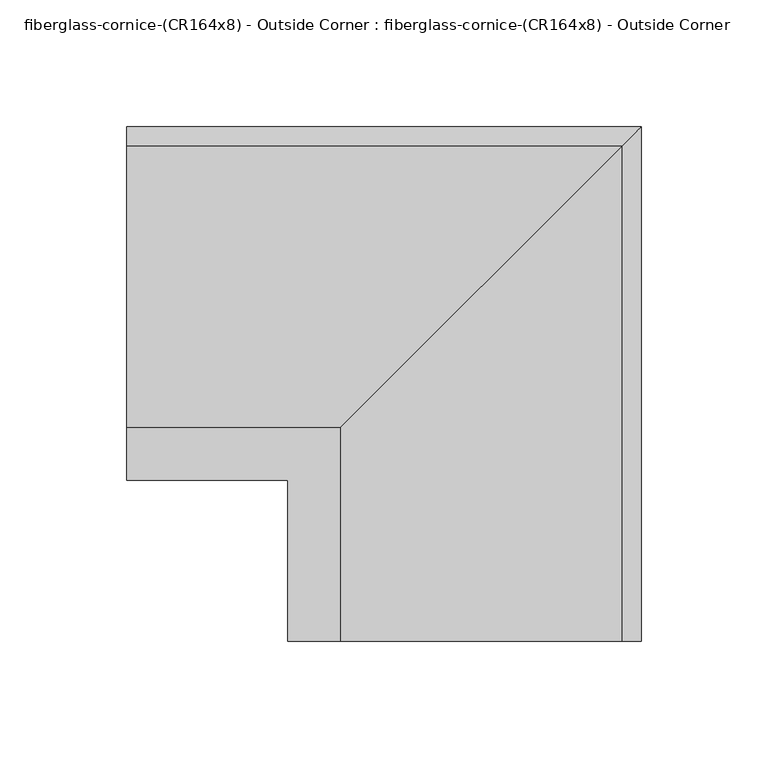
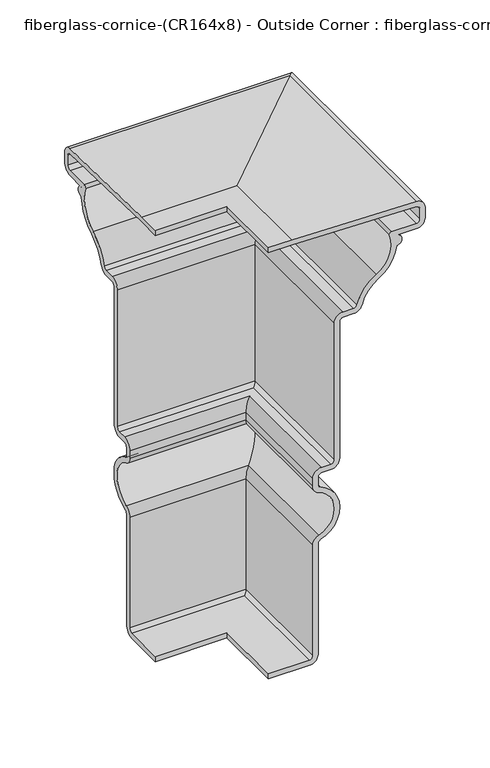
"""IFC4 building model written with IfcOpenShell, lengths in millimetres: furniture geometry, fiberglass-cornice-(CR164x8) - Outside Corner : fiberglass-cornice-(CR164x8) - Outside Corner."""

from ifc_helpers import new_model, si_unit, frame, origin, place, context, project, spatial, polyline, circle_curve, ellipse_curve, source, transform, mapped, element, save
from ifc_brep_helpers import plane_surface, cylinder_surface, revolved_surface, advanced_brep


def fiberglass_cornice_cr164x8_outside_corner_fiberglass_cornice_aaa570d7(model_context):
    return source(origin(), model_context, "Body", "AdvancedBrep", [
        advanced_brep(
        [(-196.9488213, 122.4404639, 330.1999904), (-196.9488213, 233.5654639, 327.3575667), (-196.9488213, 241.3, 319.422662), (-196.9488213, 241.3, 309.7707122), (-196.9488213, 233.3625, 301.8332122), (-196.9488213, 215.9, 301.8332122), (-196.9488213, 215.9, 292.3082122), (-196.9488213, 200.025, 266.9082122), (-196.9488213, 185.1323585, 247.415911), (-196.9488213, 177.4587796, 241.5082122), (-196.9488213, 168.275, 241.5082122), (-196.9488213, 165.1, 238.3332122), (-196.9488213, 165.1, 109.7457122), (-196.9488213, 157.1625, 101.8082122), (-196.9488213, 149.225, 101.8082122), (-196.9488213, 146.05, 98.6332122), (-196.9488213, 146.05, 91.4209842), (-196.9488213, 148.1303888, 88.44064), (-196.9488213, 148.1303888, 38.9757844), (-196.9488213, 146.05, 35.9954402), (-196.9488213, 146.05, -68.0542878), (-196.9488213, 138.1125, -75.9917878), (-196.9488213, 101.6, -75.9917878), (-196.9488213, 101.6, -71.2292878), (-196.9488213, 138.1125, -71.2292878), (-196.9488213, 141.2875, -68.0542878), (-196.9488213, 141.2875, 35.9954402), (-196.9488213, 146.488472, 43.4463007), (-196.9488213, 146.488472, 83.9701238), (-196.9488213, 141.2875, 91.4209842), (-196.9488213, 141.2875, 98.6332122), (-196.9488213, 149.225, 106.5707122), (-196.9488213, 157.1625, 106.5707122), (-196.9488213, 160.3375, 109.7457122), (-196.9488213, 160.3375, 238.3332122), (-196.9488213, 168.275, 246.2707122), (-196.9488213, 177.4587796, 246.2707122), (-196.9488213, 180.5282111, 248.6337917), (-196.9488213, 197.639804, 271.0303775), (-196.9488213, 209.3983608, 304.3559613), (-196.9488213, 211.6381117, 306.5957122), (-196.9488213, 233.3625, 306.5957122), (-196.9488213, 236.5375, 309.7707122), (-196.9488213, 236.5375, 319.422662), (-196.9488213, 233.4436856, 322.5966239), (-196.9488213, 122.3186856, 325.4390476), (-196.9488213, 101.6, 325.4390476), (-196.9488213, 101.6, 330.1999904), (-112.5091387, 38.0007813, 330.1999904), (-133.3496026, 38.0007813, 330.1999904), (-133.3496026, 38.0007813, 325.4390476), (-112.630917, 38.0007813, 325.4390476), (-1.505917, 38.0007813, 322.5966239), (1.5878974, 38.0007813, 319.422662), (1.5878974, 38.0007813, 309.7707122), (-1.5871026, 38.0007813, 306.5957122), (-23.3114909, 38.0007813, 306.5957122), (-25.5512418, 38.0007813, 304.3559613), (-37.3097986, 38.0007813, 271.0303775), (-54.4213915, 38.0007813, 248.6337917), (-57.490823, 38.0007813, 246.2707122), (-66.6746026, 38.0007813, 246.2707122), (-74.6121026, 38.0007813, 238.3332122), (-74.6121026, 38.0007813, 109.7457122), (-77.7871026, 38.0007813, 106.5707122), (-85.7246026, 38.0007813, 106.5707122), (-93.6621026, 38.0007813, 98.6332122), (-93.6621026, 38.0007813, 91.4209842), (-88.4611306, 38.0007813, 83.9701238), (-88.4611306, 38.0007813, 43.4463007), (-93.6621026, 38.0007813, 35.9954402), (-93.6621026, 38.0007813, -68.0542878), (-96.8371026, 38.0007813, -71.2292878), (-133.3496026, 38.0007813, -71.2292878), (-133.3496026, 38.0007813, -75.9917878), (-96.8371026, 38.0007813, -75.9917878), (-88.8996026, 38.0007813, -68.0542878), (-88.8996026, 38.0007813, 35.9954402), (-86.8192138, 38.0007813, 38.9757844), (-86.8192138, 38.0007813, 88.44064), (-88.8996026, 38.0007813, 91.4209842), (-88.8996026, 38.0007813, 98.6332122), (-85.7246026, 38.0007813, 101.8082122), (-77.7871026, 38.0007813, 101.8082122), (-69.8496026, 38.0007813, 109.7457122), (-69.8496026, 38.0007813, 238.3332122), (-66.6746026, 38.0007813, 241.5082122), (-57.490823, 38.0007813, 241.5082122), (-49.8172441, 38.0007813, 247.415911), (-34.9246026, 38.0007813, 266.9082122), (-19.0496026, 38.0007813, 292.3082122), (-19.0496026, 38.0007813, 301.8332122), (-1.5871026, 38.0007813, 301.8332122), (6.3503974, 38.0007813, 309.7707122), (6.3503974, 38.0007813, 319.422662), (-1.3841387, 38.0007813, 327.3575667), (-112.5091387, 122.4404639, 330.1999904), (-1.3841387, 233.5654639, 327.3575667), (6.3503974, 241.3, 319.422662), (6.3503974, 241.3, 309.7707122), (-1.5871026, 233.3625, 301.8332122), (-19.0496026, 215.9, 301.8332122), (-19.0496026, 215.9, 292.3082122), (-34.9246026, 200.025, 266.9082122), (-49.8172441, 185.1323585, 247.415911), (-57.490823, 177.4587796, 241.5082122), (-66.6746026, 168.275, 241.5082122), (-69.8496026, 165.1, 238.3332122), (-69.8496026, 165.1, 109.7457122), (-77.7871026, 157.1625, 101.8082122), (-85.7246026, 149.225, 101.8082122), (-88.8996026, 146.05, 98.6332122), (-88.8996026, 146.05, 91.4209842), (-86.8192138, 148.1303888, 88.44064), (-86.8192138, 148.1303888, 38.9757844), (-88.8996026, 146.05, 35.9954402), (-88.8996026, 146.05, -68.0542878), (-96.8371026, 138.1125, -75.9917878), (-133.3496026, 101.6, -75.9917878), (-133.3496026, 101.6, -71.2292878), (-96.8371026, 138.1125, -71.2292878), (-93.6621026, 141.2875, -68.0542878), (-93.6621026, 141.2875, 35.9954402), (-88.4611306, 146.488472, 43.4463007), (-88.4611306, 146.488472, 83.9701238), (-93.6621026, 141.2875, 91.4209842), (-93.6621026, 141.2875, 98.6332122), (-85.7246026, 149.225, 106.5707122), (-77.7871026, 157.1625, 106.5707122), (-74.6121026, 160.3375, 109.7457122), (-74.6121026, 160.3375, 238.3332122), (-66.6746026, 168.275, 246.2707122), (-57.490823, 177.4587796, 246.2707122), (-54.4213915, 180.5282111, 248.6337917), (-37.3097986, 197.639804, 271.0303775), (-25.5512418, 209.3983608, 304.3559613), (-23.3114909, 211.6381117, 306.5957122), (-1.5871026, 233.3625, 306.5957122), (1.5878974, 236.5375, 309.7707122), (1.5878974, 236.5375, 319.422662), (-1.505917, 233.4436856, 322.5966239), (-112.630917, 122.3186856, 325.4390476), (-133.3496026, 101.6, 325.4390476), (-133.3496026, 101.6, 330.1999904)],
        [
            (0, 1),
            (1, 2, circle_curve(frame((-196.9488213, 233.3625, 319.422662), z_axis=(-1.0, 0.0, 0.0), x_axis=(0.0, 1.0, 0.0)), 7.9375)),
            (2, 3),
            (3, 4, circle_curve(frame((-196.9488213, 233.3625, 309.7707122), z_axis=(-1.0, 0.0, 0.0), x_axis=(0.0, 1.0, 0.0)), 7.9375)),
            (4, 5),
            (5, 6, circle_curve(frame((-196.9488213, 215.9, 297.0707122), z_axis=(-1.0, 0.0, 0.0), x_axis=(0.0, 1.0, 0.0)), 4.7625)),
            (6, 7, circle_curve(frame((-196.9488213, 184.0165967, 294.5744018), z_axis=(-1.0, 0.0, 0.0), x_axis=(0.0, 1.0, 0.0)), 31.9638393)),
            (7, 8, circle_curve(frame((-196.9488213, 216.0334033, 239.2420227), z_axis=(1.0, 0.0, 0.0), x_axis=(0.0, 1.0, 0.0)), 31.9638393)),
            (8, 9, circle_curve(frame((-196.9488213, 177.4587796, 249.4457122), z_axis=(-1.0, 0.0, 0.0), x_axis=(0.0, 1.0, 0.0)), 7.9375)),
            (9, 10),
            (10, 11, circle_curve(frame((-196.9488213, 168.275, 238.3332122), z_axis=(1.0, 0.0, 0.0), x_axis=(0.0, 1.0, 0.0)), 3.175)),
            (11, 12),
            (12, 13, circle_curve(frame((-196.9488213, 157.1625, 109.7457122), z_axis=(-1.0, 0.0, 0.0), x_axis=(0.0, 1.0, 0.0)), 7.9375)),
            (13, 14),
            (14, 15, circle_curve(frame((-196.9488213, 149.225, 98.6332122), z_axis=(1.0, 0.0, 0.0), x_axis=(0.0, 1.0, 0.0)), 3.175)),
            (15, 16),
            (16, 17, circle_curve(frame((-196.9488213, 149.225, 91.4209842), z_axis=(1.0, 0.0, 0.0), x_axis=(0.0, 1.0, 0.0)), 3.175)),
            (17, 18, circle_curve(frame((-196.9488213, 139.0467426, 63.7082122), z_axis=(-1.0, 0.0, 0.0), x_axis=(0.0, 1.0, 0.0)), 26.347782)),
            (18, 19, circle_curve(frame((-196.9488213, 149.225, 35.9954402), z_axis=(1.0, 0.0, 0.0), x_axis=(0.0, 1.0, 0.0)), 3.175)),
            (19, 20),
            (20, 21, circle_curve(frame((-196.9488213, 138.1125, -68.0542878), z_axis=(-1.0, 0.0, 0.0), x_axis=(0.0, 1.0, 0.0)), 7.9375)),
            (21, 22),
            (22, 23),
            (23, 24),
            (24, 25, circle_curve(frame((-196.9488213, 138.1125, -68.0542878), z_axis=(1.0, 0.0, 0.0), x_axis=(0.0, 1.0, 0.0)), 3.175)),
            (25, 26),
            (26, 27, circle_curve(frame((-196.9488213, 149.225, 35.9954402), z_axis=(-1.0, 0.0, 0.0), x_axis=(0.0, 1.0, 0.0)), 7.9375)),
            (27, 28, circle_curve(frame((-196.9488213, 139.0467426, 63.7082122), z_axis=(1.0, 0.0, 0.0), x_axis=(0.0, 1.0, 0.0)), 21.585282)),
            (28, 29, circle_curve(frame((-196.9488213, 149.225, 91.4209842), z_axis=(-1.0, 0.0, 0.0), x_axis=(0.0, 1.0, 0.0)), 7.9375)),
            (29, 30),
            (30, 31, circle_curve(frame((-196.9488213, 149.225, 98.6332122), z_axis=(-1.0, 0.0, 0.0), x_axis=(0.0, 1.0, 0.0)), 7.9375)),
            (31, 32),
            (32, 33, circle_curve(frame((-196.9488213, 157.1625, 109.7457122), z_axis=(1.0, 0.0, 0.0), x_axis=(0.0, 1.0, 0.0)), 3.175)),
            (33, 34),
            (34, 35, circle_curve(frame((-196.9488213, 168.275, 238.3332122), z_axis=(-1.0, 0.0, 0.0), x_axis=(0.0, 1.0, 0.0)), 7.9375)),
            (35, 36),
            (36, 37, circle_curve(frame((-196.9488213, 177.4587796, 249.4457122), z_axis=(1.0, 0.0, 0.0), x_axis=(0.0, 1.0, 0.0)), 3.175)),
            (37, 38, circle_curve(frame((-196.9488213, 216.0334033, 239.2420227), z_axis=(-1.0, 0.0, 0.0), x_axis=(0.0, 1.0, 0.0)), 36.7263393)),
            (38, 39, circle_curve(frame((-196.9488213, 184.0165967, 294.5744018), z_axis=(1.0, 0.0, 0.0), x_axis=(0.0, 1.0, 0.0)), 27.2013393)),
            (39, 40, circle_curve(frame((-196.9488213, 211.6381117, 304.3559613), z_axis=(-1.0, 0.0, 0.0), x_axis=(0.0, 1.0, 0.0)), 2.2397509)),
            (40, 41),
            (41, 42, circle_curve(frame((-196.9488213, 233.3625, 309.7707122), z_axis=(1.0, 0.0, 0.0), x_axis=(0.0, 1.0, 0.0)), 3.175)),
            (42, 43),
            (43, 44, circle_curve(frame((-196.9488213, 233.3625, 319.422662), z_axis=(1.0, 0.0, 0.0), x_axis=(0.0, 1.0, 0.0)), 3.175)),
            (44, 45),
            (45, 46),
            (46, 47),
            (47, 0),
            (48, 49),
            (49, 50),
            (50, 51),
            (51, 52),
            (52, 53, circle_curve(frame((-1.5871026, 38.0007813, 319.422662), z_axis=(0.0, 1.0, 0.0), x_axis=(1.0, 0.0, 0.0)), 3.175)),
            (53, 54),
            (54, 55, circle_curve(frame((-1.5871026, 38.0007813, 309.7707122), z_axis=(0.0, 1.0, 0.0), x_axis=(1.0, 0.0, 0.0)), 3.175)),
            (55, 56),
            (56, 57, circle_curve(frame((-23.3114909, 38.0007813, 304.3559613), z_axis=(0.0, -1.0, 0.0), x_axis=(1.0, 0.0, 0.0)), 2.2397509)),
            (57, 58, circle_curve(frame((-50.9330059, 38.0007813, 294.5744018), z_axis=(0.0, 1.0, 0.0), x_axis=(1.0, 0.0, 0.0)), 27.2013393)),
            (58, 59, circle_curve(frame((-18.9161993, 38.0007813, 239.2420227), z_axis=(0.0, -1.0, 0.0), x_axis=(1.0, 0.0, 0.0)), 36.7263393)),
            (59, 60, circle_curve(frame((-57.490823, 38.0007813, 249.4457122), z_axis=(0.0, 1.0, 0.0), x_axis=(1.0, 0.0, 0.0)), 3.175)),
            (60, 61),
            (61, 62, circle_curve(frame((-66.6746026, 38.0007813, 238.3332122), z_axis=(0.0, -1.0, 0.0), x_axis=(1.0, 0.0, 0.0)), 7.9375)),
            (62, 63),
            (63, 64, circle_curve(frame((-77.7871026, 38.0007813, 109.7457122), z_axis=(0.0, 1.0, 0.0), x_axis=(1.0, 0.0, 0.0)), 3.175)),
            (64, 65),
            (65, 66, circle_curve(frame((-85.7246026, 38.0007813, 98.6332122), z_axis=(0.0, -1.0, 0.0), x_axis=(1.0, 0.0, 0.0)), 7.9375)),
            (66, 67),
            (67, 68, circle_curve(frame((-85.7246026, 38.0007813, 91.4209842), z_axis=(0.0, -1.0, 0.0), x_axis=(1.0, 0.0, 0.0)), 7.9375)),
            (68, 69, circle_curve(frame((-95.90286, 38.0007813, 63.7082122), z_axis=(0.0, 1.0, 0.0), x_axis=(1.0, 0.0, 0.0)), 21.585282)),
            (69, 70, circle_curve(frame((-85.7246026, 38.0007813, 35.9954402), z_axis=(0.0, -1.0, 0.0), x_axis=(1.0, 0.0, 0.0)), 7.9375)),
            (70, 71),
            (71, 72, circle_curve(frame((-96.8371026, 38.0007813, -68.0542878), z_axis=(0.0, 1.0, 0.0), x_axis=(1.0, 0.0, 0.0)), 3.175)),
            (72, 73),
            (73, 74),
            (74, 75),
            (75, 76, circle_curve(frame((-96.8371026, 38.0007813, -68.0542878), z_axis=(0.0, -1.0, 0.0), x_axis=(1.0, 0.0, 0.0)), 7.9375)),
            (76, 77),
            (77, 78, circle_curve(frame((-85.7246026, 38.0007813, 35.9954402), z_axis=(0.0, 1.0, 0.0), x_axis=(1.0, 0.0, 0.0)), 3.175)),
            (78, 79, circle_curve(frame((-95.90286, 38.0007813, 63.7082122), z_axis=(0.0, -1.0, 0.0), x_axis=(1.0, 0.0, 0.0)), 26.347782)),
            (79, 80, circle_curve(frame((-85.7246026, 38.0007813, 91.4209842), z_axis=(0.0, 1.0, 0.0), x_axis=(1.0, 0.0, 0.0)), 3.175)),
            (80, 81),
            (81, 82, circle_curve(frame((-85.7246026, 38.0007813, 98.6332122), z_axis=(0.0, 1.0, 0.0), x_axis=(1.0, 0.0, 0.0)), 3.175)),
            (82, 83),
            (83, 84, circle_curve(frame((-77.7871026, 38.0007813, 109.7457122), z_axis=(0.0, -1.0, 0.0), x_axis=(1.0, 0.0, 0.0)), 7.9375)),
            (84, 85),
            (85, 86, circle_curve(frame((-66.6746026, 38.0007813, 238.3332122), z_axis=(0.0, 1.0, 0.0), x_axis=(1.0, 0.0, 0.0)), 3.175)),
            (86, 87),
            (87, 88, circle_curve(frame((-57.490823, 38.0007813, 249.4457122), z_axis=(0.0, -1.0, 0.0), x_axis=(1.0, 0.0, 0.0)), 7.9375)),
            (88, 89, circle_curve(frame((-18.9161993, 38.0007813, 239.2420227), z_axis=(0.0, 1.0, 0.0), x_axis=(1.0, 0.0, 0.0)), 31.9638393)),
            (89, 90, circle_curve(frame((-50.9330059, 38.0007813, 294.5744018), z_axis=(0.0, -1.0, 0.0), x_axis=(1.0, 0.0, 0.0)), 31.9638393)),
            (90, 91, circle_curve(frame((-19.0496026, 38.0007813, 297.0707122), z_axis=(0.0, -1.0, 0.0), x_axis=(1.0, 0.0, 0.0)), 4.7625)),
            (91, 92),
            (92, 93, circle_curve(frame((-1.5871026, 38.0007813, 309.7707122), z_axis=(0.0, -1.0, 0.0), x_axis=(1.0, 0.0, 0.0)), 7.9375)),
            (93, 94),
            (94, 95, circle_curve(frame((-1.5871026, 38.0007813, 319.422662), z_axis=(0.0, -1.0, 0.0), x_axis=(1.0, 0.0, 0.0)), 7.9375)),
            (95, 48),
            (0, 96),
            (96, 97),
            (97, 1),
            (97, 98, ellipse_curve(frame((-1.5871026, 233.3625, 319.422662), z_axis=(-0.7071067811865563, 0.7071067811865387, 0.0), x_axis=(-0.7071067811865387, -0.7071067811865565, 0.0)), 11.2253202, 7.9375)),
            (98, 2),
            (98, 99),
            (99, 3),
            (99, 100, ellipse_curve(frame((-1.5871026, 233.3625, 309.7707122), z_axis=(-0.7071067811865563, 0.7071067811865387, 0.0), x_axis=(-0.7071067811865387, -0.7071067811865565, 0.0)), 11.2253202, 7.9375)),
            (100, 4),
            (100, 92),
            (91, 101),
            (101, 5),
            (101, 102, ellipse_curve(frame((-19.0496026, 215.9, 297.0707122), z_axis=(-0.7071067811865563, 0.7071067811865387, 0.0), x_axis=(-0.7071067811865387, -0.7071067811865565, 0.0)), 6.7351921, 4.7625)),
            (102, 6),
            (102, 103, ellipse_curve(frame((-50.9330059, 184.0165967, 294.5744018), z_axis=(-0.7071067811865563, 0.7071067811865387, 0.0), x_axis=(-0.7071067811865387, -0.7071067811865565, 0.0)), 45.203695, 31.9638393)),
            (103, 7),
            (103, 104, ellipse_curve(frame((-18.9161993, 216.0334033, 239.2420227), z_axis=(0.7071067811865563, -0.7071067811865387, 0.0), x_axis=(0.7071067811865387, 0.7071067811865565, 0.0)), 45.203695, 31.9638393)),
            (104, 8),
            (104, 105, ellipse_curve(frame((-57.490823, 177.4587796, 249.4457122), z_axis=(-0.7071067811865563, 0.7071067811865387, 0.0), x_axis=(-0.7071067811865387, -0.7071067811865565, 0.0)), 11.2253202, 7.9375)),
            (105, 9),
            (105, 87),
            (86, 106),
            (106, 10),
            (106, 107, ellipse_curve(frame((-66.6746026, 168.275, 238.3332122), z_axis=(0.7071067811865563, -0.7071067811865387, 0.0), x_axis=(0.7071067811865387, 0.7071067811865565, 0.0)), 4.4901281, 3.175)),
            (107, 11),
            (107, 108),
            (108, 12),
            (108, 109, ellipse_curve(frame((-77.7871026, 157.1625, 109.7457122), z_axis=(-0.7071067811865563, 0.7071067811865387, 0.0), x_axis=(-0.7071067811865387, -0.7071067811865565, 0.0)), 11.2253202, 7.9375)),
            (109, 13),
            (109, 83),
            (82, 110),
            (110, 14),
            (110, 111, ellipse_curve(frame((-85.7246026, 149.225, 98.6332122), z_axis=(0.7071067811865563, -0.7071067811865387, 0.0), x_axis=(0.7071067811865387, 0.7071067811865565, 0.0)), 4.4901281, 3.175)),
            (111, 15),
            (111, 112),
            (112, 16),
            (112, 113, ellipse_curve(frame((-85.7246026, 149.225, 91.4209842), z_axis=(0.7071067811865563, -0.7071067811865387, 0.0), x_axis=(0.7071067811865387, 0.7071067811865565, 0.0)), 4.4901281, 3.175)),
            (113, 17),
            (113, 114, ellipse_curve(frame((-95.90286, 139.0467426, 63.7082122), z_axis=(-0.7071067811865563, 0.7071067811865387, 0.0), x_axis=(-0.7071067811865387, -0.7071067811865565, 0.0)), 37.2613906, 26.347782)),
            (114, 18),
            (114, 115, ellipse_curve(frame((-85.7246026, 149.225, 35.9954402), z_axis=(0.7071067811865563, -0.7071067811865387, 0.0), x_axis=(0.7071067811865387, 0.7071067811865565, 0.0)), 4.4901281, 3.175)),
            (115, 19),
            (115, 116),
            (116, 20),
            (116, 117, ellipse_curve(frame((-96.8371026, 138.1125, -68.0542878), z_axis=(-0.7071067811865563, 0.7071067811865387, 0.0), x_axis=(-0.7071067811865387, -0.7071067811865565, 0.0)), 11.2253202, 7.9375)),
            (117, 21),
            (117, 75),
            (74, 118),
            (118, 22),
            (118, 119),
            (119, 23),
            (119, 73),
            (72, 120),
            (120, 24),
            (120, 121, ellipse_curve(frame((-96.8371026, 138.1125, -68.0542878), z_axis=(0.7071067811865563, -0.7071067811865387, 0.0), x_axis=(0.7071067811865387, 0.7071067811865565, 0.0)), 4.4901281, 3.175)),
            (121, 25),
            (121, 122),
            (122, 26),
            (122, 123, ellipse_curve(frame((-85.7246026, 149.225, 35.9954402), z_axis=(-0.7071067811865563, 0.7071067811865387, 0.0), x_axis=(-0.7071067811865387, -0.7071067811865565, 0.0)), 11.2253202, 7.9375)),
            (123, 27),
            (123, 124, ellipse_curve(frame((-95.90286, 139.0467426, 63.7082122), z_axis=(0.7071067811865563, -0.7071067811865387, 0.0), x_axis=(0.7071067811865387, 0.7071067811865565, 0.0)), 30.5261985, 21.585282)),
            (124, 28),
            (124, 125, ellipse_curve(frame((-85.7246026, 149.225, 91.4209842), z_axis=(-0.7071067811865563, 0.7071067811865387, 0.0), x_axis=(-0.7071067811865387, -0.7071067811865565, 0.0)), 11.2253202, 7.9375)),
            (125, 29),
            (125, 126),
            (126, 30),
            (126, 127, ellipse_curve(frame((-85.7246026, 149.225, 98.6332122), z_axis=(-0.7071067811865563, 0.7071067811865387, 0.0), x_axis=(-0.7071067811865387, -0.7071067811865565, 0.0)), 11.2253202, 7.9375)),
            (127, 31),
            (127, 65),
            (64, 128),
            (128, 32),
            (128, 129, ellipse_curve(frame((-77.7871026, 157.1625, 109.7457122), z_axis=(0.7071067811865563, -0.7071067811865387, 0.0), x_axis=(0.7071067811865387, 0.7071067811865565, 0.0)), 4.4901281, 3.175)),
            (129, 33),
            (129, 130),
            (130, 34),
            (130, 131, ellipse_curve(frame((-66.6746026, 168.275, 238.3332122), z_axis=(-0.7071067811865563, 0.7071067811865387, 0.0), x_axis=(-0.7071067811865387, -0.7071067811865565, 0.0)), 11.2253202, 7.9375)),
            (131, 35),
            (131, 61),
            (60, 132),
            (132, 36),
            (132, 133, ellipse_curve(frame((-57.490823, 177.4587796, 249.4457122), z_axis=(0.7071067811865563, -0.7071067811865387, 0.0), x_axis=(0.7071067811865387, 0.7071067811865565, 0.0)), 4.4901281, 3.175)),
            (133, 37),
            (133, 134, ellipse_curve(frame((-18.9161993, 216.0334033, 239.2420227), z_axis=(-0.7071067811865563, 0.7071067811865387, 0.0), x_axis=(-0.7071067811865387, -0.7071067811865565, 0.0)), 51.9388871, 36.7263393)),
            (134, 38),
            (134, 135, ellipse_curve(frame((-50.9330059, 184.0165967, 294.5744018), z_axis=(0.7071067811865563, -0.7071067811865387, 0.0), x_axis=(0.7071067811865387, 0.7071067811865565, 0.0)), 38.4685029, 27.2013393)),
            (135, 39),
            (135, 136, ellipse_curve(frame((-23.3114909, 211.6381117, 304.3559613), z_axis=(-0.7071067811865563, 0.7071067811865387, 0.0), x_axis=(-0.7071067811865387, -0.7071067811865565, 0.0)), 3.1674861, 2.2397509)),
            (136, 40),
            (136, 56),
            (55, 137),
            (137, 41),
            (137, 138, ellipse_curve(frame((-1.5871026, 233.3625, 309.7707122), z_axis=(0.7071067811865563, -0.7071067811865387, 0.0), x_axis=(0.7071067811865387, 0.7071067811865565, 0.0)), 4.4901281, 3.175)),
            (138, 42),
            (138, 139),
            (139, 43),
            (139, 140, ellipse_curve(frame((-1.5871026, 233.3625, 319.422662), z_axis=(0.7071067811865563, -0.7071067811865387, 0.0), x_axis=(0.7071067811865387, 0.7071067811865565, 0.0)), 4.4901281, 3.175)),
            (140, 44),
            (140, 141),
            (141, 45),
            (141, 51),
            (50, 142),
            (142, 46),
            (142, 143),
            (143, 47),
            (143, 49),
            (48, 96),
            (95, 97),
            (94, 98),
            (93, 99),
            (90, 102),
            (89, 103),
            (88, 104),
            (85, 107),
            (84, 108),
            (81, 111),
            (80, 112),
            (79, 113),
            (78, 114),
            (77, 115),
            (76, 116),
            (71, 121),
            (70, 122),
            (69, 123),
            (68, 124),
            (67, 125),
            (66, 126),
            (63, 129),
            (62, 130),
            (59, 133),
            (58, 134),
            (57, 135),
            (54, 138),
            (53, 139),
            (52, 140),
        ],
        [
            plane_surface(frame((-196.9488213, 101.6, 330.1999904), z_axis=(-1.0, 0.0, 0.0), x_axis=(0.0, 0.0, 1.0))),
            plane_surface(frame((-133.3496026, 38.0007813, 330.1999904), z_axis=(0.0, -1.0, 0.0), x_axis=(0.0, 0.0, 1.0))),
            plane_surface(frame((-196.9488213, 122.4404639, 330.1999904), z_axis=(0.0, 0.025570252983955145, 0.9996730276257015), x_axis=(1.0, 0.0, 0.0))),
            cylinder_surface(frame((-196.9488213, 233.3625, 319.422662), z_axis=(-1.0, 0.0, 0.0), x_axis=(0.0, 1.0, 0.0)), 7.9375),
            plane_surface(frame((-196.9488213, 241.3, 319.422662), z_axis=(0.0, 1.0, 0.0), x_axis=(1.0, 0.0, 0.0))),
            cylinder_surface(frame((-196.9488213, 233.3625, 309.7707122), z_axis=(-1.0, 0.0, 0.0), x_axis=(0.0, 1.0, 0.0)), 7.9375),
            plane_surface(frame((-196.9488213, 233.3625, 301.8332122), z_axis=(0.0, 0.0, -1.0), x_axis=(1.0, 0.0, 0.0))),
            cylinder_surface(frame((-196.9488213, 215.9, 297.0707122), z_axis=(-1.0, 0.0, 0.0), x_axis=(0.0, 1.0, 0.0)), 4.7625),
            cylinder_surface(frame((-196.9488213, 184.0165967, 294.5744018), z_axis=(-1.0, 0.0, 0.0), x_axis=(0.0, 1.0, 0.0)), 31.9638393),
            revolved_surface(polyline([(13.047639969188054, 247.9972426, 239.2420227), (-196.9488213, 247.9972426, 239.2420227)]), (-196.9488213, 216.0334033, 239.2420227), (1.0, 0.0, 0.0)),
            cylinder_surface(frame((-196.9488213, 177.4587796, 249.4457122), z_axis=(-1.0, 0.0, 0.0), x_axis=(0.0, 1.0, 0.0)), 7.9375),
            plane_surface(frame((-196.9488213, 177.4587796, 241.5082122), z_axis=(0.0, 0.0, -1.0), x_axis=(1.0, 0.0, 0.0))),
            revolved_surface(polyline([(-63.49960257209375, 171.45000000000002, 238.3332122), (-196.9488213, 171.45000000000002, 238.3332122)]), (-196.9488213, 168.275, 238.3332122), (1.0, 0.0, 0.0)),
            plane_surface(frame((-196.9488213, 165.1, 238.3332122), z_axis=(0.0, 1.0, 0.0), x_axis=(1.0, 0.0, 0.0))),
            cylinder_surface(frame((-196.9488213, 157.1625, 109.7457122), z_axis=(-1.0, 0.0, 0.0), x_axis=(0.0, 1.0, 0.0)), 7.9375),
            plane_surface(frame((-196.9488213, 157.1625, 101.8082122), z_axis=(0.0, 0.0, -1.0), x_axis=(1.0, 0.0, 0.0))),
            revolved_surface(polyline([(-82.54960257209378, 152.4, 98.6332122), (-196.9488213, 152.4, 98.6332122)]), (-196.9488213, 149.225, 98.6332122), (1.0, 0.0, 0.0)),
            plane_surface(frame((-196.9488213, 146.05, 98.6332122), z_axis=(0.0, 1.0, 0.0), x_axis=(1.0, 0.0, 0.0))),
            revolved_surface(polyline([(-82.54960257209378, 152.4, 91.4209842), (-196.9488213, 152.4, 91.4209842)]), (-196.9488213, 149.225, 91.4209842), (1.0, 0.0, 0.0)),
            cylinder_surface(frame((-196.9488213, 139.0467426, 63.7082122), z_axis=(-1.0, 0.0, 0.0), x_axis=(0.0, 1.0, 0.0)), 26.347782),
            revolved_surface(polyline([(-82.54960257209378, 152.4, 35.9954402), (-196.9488213, 152.4, 35.9954402)]), (-196.9488213, 149.225, 35.9954402), (1.0, 0.0, 0.0)),
            plane_surface(frame((-196.9488213, 146.05, 35.9954402), z_axis=(0.0, 1.0, 0.0), x_axis=(1.0, 0.0, 0.0))),
            cylinder_surface(frame((-196.9488213, 138.1125, -68.0542878), z_axis=(-1.0, 0.0, 0.0), x_axis=(0.0, 1.0, 0.0)), 7.9375),
            plane_surface(frame((-196.9488213, 138.1125, -75.9917878), z_axis=(0.0, 0.0, -1.0), x_axis=(1.0, 0.0, 0.0))),
            plane_surface(frame((-196.9488213, 101.6, -75.9917878), z_axis=(0.0, -1.0, 0.0), x_axis=(1.0, 0.0, 0.0))),
            plane_surface(frame((-196.9488213, 101.6, -71.2292878), z_axis=(0.0, 0.0, 1.0), x_axis=(1.0, 0.0, 0.0))),
            revolved_surface(polyline([(-93.66210257209377, 141.28750000000002, -68.0542878), (-196.9488213, 141.28750000000002, -68.0542878)]), (-196.9488213, 138.1125, -68.0542878), (1.0, 0.0, 0.0)),
            plane_surface(frame((-196.9488213, 141.2875, -68.0542878), z_axis=(0.0, -1.0, 0.0), x_axis=(1.0, 0.0, 0.0))),
            cylinder_surface(frame((-196.9488213, 149.225, 35.9954402), z_axis=(-1.0, 0.0, 0.0), x_axis=(0.0, 1.0, 0.0)), 7.9375),
            revolved_surface(polyline([(-74.31757803680367, 160.6320246, 63.7082122), (-196.9488213, 160.6320246, 63.7082122)]), (-196.9488213, 139.0467426, 63.7082122), (1.0, 0.0, 0.0)),
            cylinder_surface(frame((-196.9488213, 149.225, 91.4209842), z_axis=(-1.0, 0.0, 0.0), x_axis=(0.0, 1.0, 0.0)), 7.9375),
            plane_surface(frame((-196.9488213, 141.2875, 91.4209842), z_axis=(0.0, -1.0, 0.0), x_axis=(1.0, 0.0, 0.0))),
            cylinder_surface(frame((-196.9488213, 149.225, 98.6332122), z_axis=(-1.0, 0.0, 0.0), x_axis=(0.0, 1.0, 0.0)), 7.9375),
            plane_surface(frame((-196.9488213, 149.225, 106.5707122), z_axis=(0.0, 0.0, 1.0), x_axis=(1.0, 0.0, 0.0))),
            revolved_surface(polyline([(-74.61210257209378, 160.3375, 109.7457122), (-196.9488213, 160.3375, 109.7457122)]), (-196.9488213, 157.1625, 109.7457122), (1.0, 0.0, 0.0)),
            plane_surface(frame((-196.9488213, 160.3375, 109.7457122), z_axis=(0.0, -1.0, 0.0), x_axis=(1.0, 0.0, 0.0))),
            cylinder_surface(frame((-196.9488213, 168.275, 238.3332122), z_axis=(-1.0, 0.0, 0.0), x_axis=(0.0, 1.0, 0.0)), 7.9375),
            plane_surface(frame((-196.9488213, 168.275, 246.2707122), z_axis=(0.0, 0.0, 1.0), x_axis=(1.0, 0.0, 0.0))),
            revolved_surface(polyline([(-54.31582297209377, 180.63377960000003, 249.4457122), (-196.9488213, 180.63377960000003, 249.4457122)]), (-196.9488213, 177.4587796, 249.4457122), (1.0, 0.0, 0.0)),
            cylinder_surface(frame((-196.9488213, 216.0334033, 239.2420227), z_axis=(-1.0, 0.0, 0.0), x_axis=(0.0, 1.0, 0.0)), 36.7263393),
            revolved_surface(polyline([(-23.731666637315953, 211.217936, 294.5744018), (-196.9488213, 211.217936, 294.5744018)]), (-196.9488213, 184.0165967, 294.5744018), (1.0, 0.0, 0.0)),
            cylinder_surface(frame((-196.9488213, 211.6381117, 304.3559613), z_axis=(-1.0, 0.0, 0.0), x_axis=(0.0, 1.0, 0.0)), 2.2397509),
            plane_surface(frame((-196.9488213, 211.6381117, 306.5957122), z_axis=(0.0, 0.0, 1.0), x_axis=(1.0, 0.0, 0.0))),
            revolved_surface(polyline([(1.5878974279062277, 236.53750000000002, 309.7707122), (-196.9488213, 236.53750000000002, 309.7707122)]), (-196.9488213, 233.3625, 309.7707122), (1.0, 0.0, 0.0)),
            plane_surface(frame((-196.9488213, 236.5375, 309.7707122), z_axis=(0.0, -1.0, 0.0), x_axis=(1.0, 0.0, 0.0))),
            revolved_surface(polyline([(1.5878974279062277, 236.53750000000002, 319.422662), (-196.9488213, 236.53750000000002, 319.422662)]), (-196.9488213, 233.3625, 319.422662), (1.0, 0.0, 0.0)),
            plane_surface(frame((-196.9488213, 233.4436856, 322.5966239), z_axis=(0.0, -0.025570252983971364, -0.9996730276257011), x_axis=(1.0, 0.0, 0.0))),
            plane_surface(frame((-196.9488213, 122.3186856, 325.4390476), z_axis=(0.0, 0.0, -1.0), x_axis=(1.0, 0.0, 0.0))),
            plane_surface(frame((-196.9488213, 101.6, 325.4390476), z_axis=(0.0, -1.0, 0.0), x_axis=(1.0, 0.0, 0.0))),
            plane_surface(frame((-196.9488213, 101.6, 330.1999904), z_axis=(0.0, 0.0, 1.0), x_axis=(1.0, 0.0, 0.0))),
            plane_surface(frame((-112.5091387, 122.4404639, 330.1999904), z_axis=(0.025570252983955148, 0.0, 0.9996730276257015), x_axis=(0.0, -1.0, 0.0))),
            cylinder_surface(frame((-1.5871026, 101.6, 319.422662), z_axis=(0.0, 1.0, 0.0), x_axis=(1.0, 0.0, 0.0)), 7.9375),
            plane_surface(frame((6.3503974, 241.3, 319.422662), z_axis=(1.0, 0.0, 0.0), x_axis=(0.0, -1.0, 0.0))),
            cylinder_surface(frame((-1.5871026, 101.6, 309.7707122), z_axis=(0.0, 1.0, 0.0), x_axis=(1.0, 0.0, 0.0)), 7.9375),
            cylinder_surface(frame((-19.0496026, 101.6, 297.0707122), z_axis=(0.0, 1.0, 0.0), x_axis=(1.0, 0.0, 0.0)), 4.7625),
            cylinder_surface(frame((-50.9330059, 101.6, 294.5744018), z_axis=(0.0, 1.0, 0.0), x_axis=(1.0, 0.0, 0.0)), 31.9638393),
            revolved_surface(polyline([(13.047640000000001, 38.0007813, 239.2420227), (13.047640000000001, 247.99724256918884, 239.2420227)]), (-18.9161993, 101.6, 239.2420227), (0.0, -1.0, 0.0)),
            cylinder_surface(frame((-57.490823, 101.6, 249.4457122), z_axis=(0.0, 1.0, 0.0), x_axis=(1.0, 0.0, 0.0)), 7.9375),
            revolved_surface(polyline([(-63.4996026, 38.0007813, 238.3332122), (-63.4996026, 171.4500000279063, 238.3332122)]), (-66.6746026, 101.6, 238.3332122), (0.0, -1.0, 0.0)),
            plane_surface(frame((-69.8496026, 165.1, 238.3332122), z_axis=(1.0, 0.0, 0.0), x_axis=(0.0, -1.0, 0.0))),
            cylinder_surface(frame((-77.7871026, 101.6, 109.7457122), z_axis=(0.0, 1.0, 0.0), x_axis=(1.0, 0.0, 0.0)), 7.9375),
            revolved_surface(polyline([(-82.5496026, 38.0007813, 98.6332122), (-82.5496026, 152.4000000279063, 98.6332122)]), (-85.7246026, 101.6, 98.6332122), (0.0, -1.0, 0.0)),
            plane_surface(frame((-88.8996026, 146.05, 98.6332122), z_axis=(1.0, 0.0, 0.0), x_axis=(0.0, -1.0, 0.0))),
            revolved_surface(polyline([(-82.5496026, 38.0007813, 91.4209842), (-82.5496026, 152.4000000279063, 91.4209842)]), (-85.7246026, 101.6, 91.4209842), (0.0, -1.0, 0.0)),
            cylinder_surface(frame((-95.90286, 101.6, 63.7082122), z_axis=(0.0, 1.0, 0.0), x_axis=(1.0, 0.0, 0.0)), 26.347782),
            revolved_surface(polyline([(-82.5496026, 38.0007813, 35.9954402), (-82.5496026, 152.4000000279063, 35.9954402)]), (-85.7246026, 101.6, 35.9954402), (0.0, -1.0, 0.0)),
            plane_surface(frame((-88.8996026, 146.05, 35.9954402), z_axis=(1.0, 0.0, 0.0), x_axis=(0.0, -1.0, 0.0))),
            cylinder_surface(frame((-96.8371026, 101.6, -68.0542878), z_axis=(0.0, 1.0, 0.0), x_axis=(1.0, 0.0, 0.0)), 7.9375),
            plane_surface(frame((-133.3496026, 101.6, -75.9917878), z_axis=(-1.0, 0.0, 0.0), x_axis=(0.0, -1.0, 0.0))),
            revolved_surface(polyline([(-93.6621026, 38.0007813, -68.0542878), (-93.6621026, 141.28750002790633, -68.0542878)]), (-96.8371026, 101.6, -68.0542878), (0.0, -1.0, 0.0)),
            plane_surface(frame((-93.6621026, 141.2875, -68.0542878), z_axis=(-1.0, 0.0, 0.0), x_axis=(0.0, -1.0, 0.0))),
            cylinder_surface(frame((-85.7246026, 101.6, 35.9954402), z_axis=(0.0, 1.0, 0.0), x_axis=(1.0, 0.0, 0.0)), 7.9375),
            revolved_surface(polyline([(-74.317578, 38.0007813, 63.7082122), (-74.317578, 160.63202456319686, 63.7082122)]), (-95.90286, 101.6, 63.7082122), (0.0, -1.0, 0.0)),
            cylinder_surface(frame((-85.7246026, 101.6, 91.4209842), z_axis=(0.0, 1.0, 0.0), x_axis=(1.0, 0.0, 0.0)), 7.9375),
            plane_surface(frame((-93.6621026, 141.2875, 91.4209842), z_axis=(-1.0, 0.0, 0.0), x_axis=(0.0, -1.0, 0.0))),
            cylinder_surface(frame((-85.7246026, 101.6, 98.6332122), z_axis=(0.0, 1.0, 0.0), x_axis=(1.0, 0.0, 0.0)), 7.9375),
            revolved_surface(polyline([(-74.6121026, 38.0007813, 109.7457122), (-74.6121026, 160.3375000279063, 109.7457122)]), (-77.7871026, 101.6, 109.7457122), (0.0, -1.0, 0.0)),
            plane_surface(frame((-74.6121026, 160.3375, 109.7457122), z_axis=(-1.0, 0.0, 0.0), x_axis=(0.0, -1.0, 0.0))),
            cylinder_surface(frame((-66.6746026, 101.6, 238.3332122), z_axis=(0.0, 1.0, 0.0), x_axis=(1.0, 0.0, 0.0)), 7.9375),
            revolved_surface(polyline([(-54.315823, 38.0007813, 249.4457122), (-54.315823, 180.63377962790634, 249.4457122)]), (-57.490823, 101.6, 249.4457122), (0.0, -1.0, 0.0)),
            cylinder_surface(frame((-18.9161993, 101.6, 239.2420227), z_axis=(0.0, 1.0, 0.0), x_axis=(1.0, 0.0, 0.0)), 36.7263393),
            revolved_surface(polyline([(-23.731666599999997, 38.0007813, 294.5744018), (-23.731666599999997, 211.21793596268472, 294.5744018)]), (-50.9330059, 101.6, 294.5744018), (0.0, -1.0, 0.0)),
            cylinder_surface(frame((-23.3114909, 101.6, 304.3559613), z_axis=(0.0, 1.0, 0.0), x_axis=(1.0, 0.0, 0.0)), 2.2397509),
            revolved_surface(polyline([(1.5878974, 38.0007813, 309.7707122), (1.5878974, 236.53750002790633, 309.7707122)]), (-1.5871026, 101.6, 309.7707122), (0.0, -1.0, 0.0)),
            plane_surface(frame((1.5878974, 236.5375, 309.7707122), z_axis=(-1.0, 0.0, 0.0), x_axis=(0.0, -1.0, 0.0))),
            revolved_surface(polyline([(1.5878974, 38.0007813, 319.422662), (1.5878974, 236.53750002790633, 319.422662)]), (-1.5871026, 101.6, 319.422662), (0.0, -1.0, 0.0)),
            plane_surface(frame((-1.505917, 233.4436856, 322.5966239), z_axis=(-0.025570252983971368, 0.0, -0.9996730276257011), x_axis=(0.0, -1.0, 0.0))),
            plane_surface(frame((-133.3496026, 101.6, 325.4390476), z_axis=(-1.0, 0.0, 0.0), x_axis=(0.0, -1.0, 0.0))),
        ],
        [
            (0, [[1, 2, 3, 4, 5, 6, 7, 8, 9, 10, 11, 12, 13, 14, 15, 16, 17, 18, 19, 20, 21, 22, 23, 24, 25, 26, 27, 28, 29, 30, 31, 32, 33, 34, 35, 36, 37, 38, 39, 40, 41, 42, 43, 44, 45, 46, 47, 48]]),
            (1, [[49, 50, 51, 52, 53, 54, 55, 56, 57, 58, 59, 60, 61, 62, 63, 64, 65, 66, 67, 68, 69, 70, 71, 72, 73, 74, 75, 76, 77, 78, 79, 80, 81, 82, 83, 84, 85, 86, 87, 88, 89, 90, 91, 92, 93, 94, 95, 96]]),
            (2, [[-1, 97, 98, 99]]),
            (3, [[-2, -99, 100, 101]]),
            (4, [[-3, -101, 102, 103]]),
            (5, [[-4, -103, 104, 105]]),
            (6, [[-5, -105, 106, -92, 107, 108]]),
            (7, [[-6, -108, 109, 110]]),
            (8, [[-7, -110, 111, 112]]),
            (9, [[-8, -112, 113, 114]]),
            (10, [[-9, -114, 115, 116]]),
            (11, [[-10, -116, 117, -87, 118, 119]]),
            (12, [[-11, -119, 120, 121]]),
            (13, [[-12, -121, 122, 123]]),
            (14, [[-13, -123, 124, 125]]),
            (15, [[-14, -125, 126, -83, 127, 128]]),
            (16, [[-15, -128, 129, 130]]),
            (17, [[-16, -130, 131, 132]]),
            (18, [[-17, -132, 133, 134]]),
            (19, [[-18, -134, 135, 136]]),
            (20, [[-19, -136, 137, 138]]),
            (21, [[-20, -138, 139, 140]]),
            (22, [[-21, -140, 141, 142]]),
            (23, [[-22, -142, 143, -75, 144, 145]]),
            (24, [[-23, -145, 146, 147]]),
            (25, [[-24, -147, 148, -73, 149, 150]]),
            (26, [[-25, -150, 151, 152]]),
            (27, [[-26, -152, 153, 154]]),
            (28, [[-27, -154, 155, 156]]),
            (29, [[-28, -156, 157, 158]]),
            (30, [[-29, -158, 159, 160]]),
            (31, [[-30, -160, 161, 162]]),
            (32, [[-31, -162, 163, 164]]),
            (33, [[-32, -164, 165, -65, 166, 167]]),
            (34, [[-33, -167, 168, 169]]),
            (35, [[-34, -169, 170, 171]]),
            (36, [[-35, -171, 172, 173]]),
            (37, [[-36, -173, 174, -61, 175, 176]]),
            (38, [[-37, -176, 177, 178]]),
            (39, [[-38, -178, 179, 180]]),
            (40, [[-39, -180, 181, 182]]),
            (41, [[-40, -182, 183, 184]]),
            (42, [[-41, -184, 185, -56, 186, 187]]),
            (43, [[-42, -187, 188, 189]]),
            (44, [[-43, -189, 190, 191]]),
            (45, [[-44, -191, 192, 193]]),
            (46, [[-45, -193, 194, 195]]),
            (47, [[-46, -195, 196, -51, 197, 198]]),
            (48, [[-47, -198, 199, 200]]),
            (49, [[-48, -200, 201, -49, 202, -97]]),
            (50, [[-98, -202, -96, 203]]),
            (51, [[-100, -203, -95, 204]]),
            (52, [[-102, -204, -94, 205]]),
            (53, [[-104, -205, -93, -106]]),
            (54, [[-109, -107, -91, 206]]),
            (55, [[-111, -206, -90, 207]]),
            (56, [[-113, -207, -89, 208]]),
            (57, [[-115, -208, -88, -117]]),
            (58, [[-120, -118, -86, 209]]),
            (59, [[-122, -209, -85, 210]]),
            (60, [[-124, -210, -84, -126]]),
            (61, [[-129, -127, -82, 211]]),
            (62, [[-131, -211, -81, 212]]),
            (63, [[-133, -212, -80, 213]]),
            (64, [[-135, -213, -79, 214]]),
            (65, [[-137, -214, -78, 215]]),
            (66, [[-139, -215, -77, 216]]),
            (67, [[-141, -216, -76, -143]]),
            (68, [[-146, -144, -74, -148]]),
            (69, [[-151, -149, -72, 217]]),
            (70, [[-153, -217, -71, 218]]),
            (71, [[-155, -218, -70, 219]]),
            (72, [[-157, -219, -69, 220]]),
            (73, [[-159, -220, -68, 221]]),
            (74, [[-161, -221, -67, 222]]),
            (75, [[-163, -222, -66, -165]]),
            (76, [[-168, -166, -64, 223]]),
            (77, [[-170, -223, -63, 224]]),
            (78, [[-172, -224, -62, -174]]),
            (79, [[-177, -175, -60, 225]]),
            (80, [[-179, -225, -59, 226]]),
            (81, [[-181, -226, -58, 227]]),
            (82, [[-183, -227, -57, -185]]),
            (83, [[-188, -186, -55, 228]]),
            (84, [[-190, -228, -54, 229]]),
            (85, [[-192, -229, -53, 230]]),
            (86, [[-194, -230, -52, -196]]),
            (87, [[-199, -197, -50, -201]]),
        ],
    ),
    ])


if __name__ == "__main__":
    model = new_model("IFC4")
    model_context = context("Model", 3, world=origin())
    ifc_project = project(units=[si_unit("LENGTHUNIT", "METRE", prefix="MILLI")], contexts=[model_context])
    site = spatial("IfcSite", under=ifc_project)
    building = spatial("IfcBuilding", under=site)
    placement = place(None, origin())
    fiberglass_cornice_cr164x8_outside_corner_fiberglass_cornice_shape = fiberglass_cornice_cr164x8_outside_corner_fiberglass_cornice_aaa570d7(model_context)
    element("IfcFurniture", 1, ObjectType="fiberglass-cornice-(CR164x8) - Outside Corner : fiberglass-cornice-(CR164x8) - Outside Corner", at=placement, inside=building, context=model_context, shape_type="MappedRepresentation", body=[
        mapped(fiberglass_cornice_cr164x8_outside_corner_fiberglass_cornice_shape, transform((0.0, 0.0, 0.0), x_axis=(1.0, 0.0, 0.0), y_axis=(0.0, 1.0, 0.0), z_axis=(0.0, 0.0, 1.0))),
    ])
    save(model, "model.ifc")
